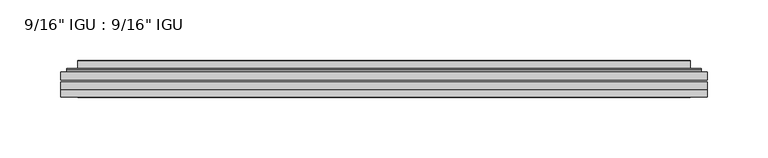
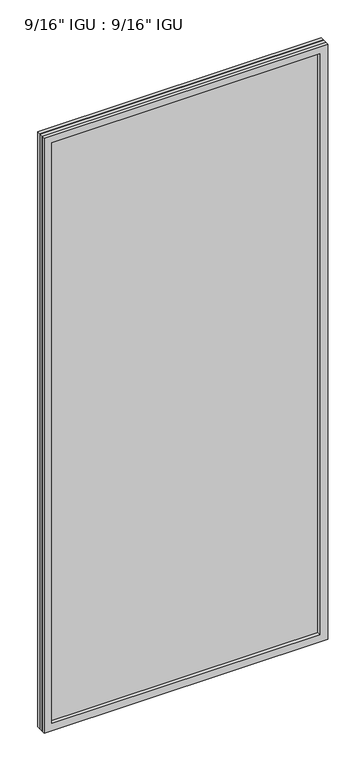
"""IFC4 building model written with IfcOpenShell, lengths in millimetres: plate geometry."""

from ifc_helpers import new_model, si_unit, frame, origin, place, context, project, spatial, polyline, ellipse_curve, outline, extrude, faceted_brep, source, transform, mapped, element, save
from ifc_brep_helpers import plane_surface, cylinder_surface, advanced_brep


def plate_eaf9780f(model_context):
    return source(origin(), model_context, "Body", "SolidModel", [
        extrude(outline(polyline([(266.714175, -54.78145), (266.714175, -61.1317818), (-266.7, -61.1317818), (-266.7, -54.78145), (266.714175, -54.78145)])), frame((0.0, 0.0, -14.2875), z_axis=(0.0, 0.0, 1.0), x_axis=(1.0, 0.0, 0.0)), (0.0, 0.0, 1.0), 1184.2787979),
        extrude(outline(polyline([(-266.7, -69.05625), (-266.7, -62.705745), (266.714175, -62.705745), (266.714175, -69.05625), (-266.7, -69.05625)])), frame((0.0, 0.0, -14.2875), z_axis=(0.0, 0.0, 1.0), x_axis=(1.0, 0.0, 0.0)), (0.0, 0.0, 1.0), 1184.2787979),
        faceted_brep([(-266.7127, -75.40625, 1170.0002), (-266.7127, -69.05625, 1170.0002), (-266.7127, -69.05625, -14.3002), (-266.7127, -75.40625, -14.3002), (266.7127, -69.05625, -14.3002), (266.7127, -75.40625, -14.3002), (266.7127, -69.05625, 1170.0002), (266.7127, -75.40625, 1170.0002), (-251.5147559, -69.05625, 0.8977441), (251.5147559, -69.05625, 0.8977441), (251.5147559, -69.05625, 1154.8022559), (-251.5147559, -69.05625, 1154.8022559), (-252.4071902, -75.40625, 1155.6946902), (252.4071902, -75.40625, 1155.6946902), (252.4071902, -75.40625, 0.0053098), (-252.4071902, -75.40625, 0.0053098)], [[[0, 1, 2, 3]], [[3, 2, 4, 5]], [[5, 4, 6, 7]], [[1, 6, 4, 2], [8, 9, 10, 11]], [[7, 6, 1, 0]], [[3, 5, 7, 0], [12, 13, 14, 15]], [[11, 12, 15, 8]], [[8, 15, 14, 9]], [[9, 14, 13, 10]], [[10, 13, 12, 11]]]),
        advanced_brep(
        [(-259.458719, -54.78145, 1162.746219), (-261.8129244, -52.7917833, 1165.1004244), (-261.8129244, -52.7917833, -9.4004244), (-259.458719, -54.78145, -7.046219), (-250.3843939, -50.941413, 1153.6718939), (-245.4495621, -54.78145, 1148.7370621), (-245.4495621, -54.78145, 6.9629379), (-250.3843939, -50.941413, 2.0281061), (-251.4164217, -45.5441819, 1154.7039217), (-251.4164217, -45.5441819, 0.9960783), (-252.4070784, -45.1452069, 1155.6945784), (-252.4070784, -45.1452069, 0.0054216), (-252.4070784, -51.60645, 1155.6945784), (-252.4070784, -51.60645, 0.0054216), (-260.8111349, -51.60645, 1164.0986349), (-260.8111349, -51.60645, -8.3986349), (261.8129244, -52.7917833, -9.4004244), (259.458719, -54.78145, -7.046219), (245.4495621, -54.78145, 6.9629379), (250.3843939, -50.941413, 2.0281061), (251.4164217, -45.5441819, 0.9960783), (252.4070784, -45.1452069, 0.0054216), (252.4070784, -51.60645, 0.0054216), (260.8111349, -51.60645, -8.3986349), (261.8129244, -52.7917833, 1165.1004244), (259.458719, -54.78145, 1162.746219), (245.4495621, -54.78145, 1148.7370621), (250.3843939, -50.941413, 1153.6718939), (251.4164217, -45.5441819, 1154.7039217), (252.4070784, -45.1452069, 1155.6945784), (252.4070784, -51.60645, 1155.6945784), (260.8111349, -51.60645, 1164.0986349)],
        [
            (0, 1, ellipse_curve(frame((-259.458719, -52.39385, 1162.746219), z_axis=(-0.7071067811865475, 0.0, -0.7071067811865475), x_axis=(-0.7071067811865474, 0.0, 0.7071067811865476)), 3.3765763, 2.3876)),
            (1, 2),
            (2, 3, ellipse_curve(frame((-259.458719, -52.39385, -7.046219), z_axis=(-0.7071067811865475, 0.0, 0.7071067811865475), x_axis=(0.7071067811865474, 0.0, 0.7071067811865476)), 3.3765763, 2.3876)),
            (3, 0),
            (4, 5),
            (5, 6),
            (6, 7),
            (7, 4),
            (8, 4),
            (7, 9),
            (9, 8),
            (10, 8, ellipse_curve(frame((-252.0401219, -45.6634423, 1155.3276219), z_axis=(-0.7071067811865475, 0.0, -0.7071067811865475), x_axis=(-0.7071067811865474, 0.0, 0.7071067811865476)), 0.8980256, 0.635)),
            (9, 11, ellipse_curve(frame((-252.0401219, -45.6634423, 0.3723781), z_axis=(-0.7071067811865475, 0.0, 0.7071067811865475), x_axis=(0.7071067811865474, 0.0, 0.7071067811865476)), 0.8980256, 0.635)),
            (11, 10),
            (12, 10),
            (11, 13),
            (13, 12),
            (1, 14, ellipse_curve(frame((-260.8111349, -52.62245, 1164.0986349), z_axis=(-0.7071067811865475, 0.0, -0.7071067811865475), x_axis=(-0.7071067811865474, 0.0, 0.7071067811865476)), 1.436841, 1.016)),
            (14, 15),
            (15, 2, ellipse_curve(frame((-260.8111349, -52.62245, -8.3986349), z_axis=(-0.7071067811865475, 0.0, 0.7071067811865475), x_axis=(0.7071067811865474, 0.0, 0.7071067811865476)), 1.436841, 1.016)),
            (2, 16),
            (16, 17, ellipse_curve(frame((259.458719, -52.39385, -7.046219), z_axis=(-0.7071067811865475, 0.0, -0.7071067811865475), x_axis=(-0.7071067811865476, 0.0, 0.7071067811865474)), 3.3765763, 2.3876)),
            (17, 3),
            (6, 18),
            (18, 19),
            (19, 7),
            (19, 20),
            (20, 9),
            (20, 21, ellipse_curve(frame((252.0401219, -45.6634423, 0.3723781), z_axis=(-0.7071067811865475, 0.0, -0.7071067811865475), x_axis=(-0.7071067811865476, 0.0, 0.7071067811865474)), 0.8980256, 0.635)),
            (21, 11),
            (21, 22),
            (22, 13),
            (15, 23),
            (23, 16, ellipse_curve(frame((260.8111349, -52.62245, -8.3986349), z_axis=(-0.7071067811865475, 0.0, -0.7071067811865475), x_axis=(-0.7071067811865476, 0.0, 0.7071067811865474)), 1.436841, 1.016)),
            (16, 24),
            (24, 25, ellipse_curve(frame((259.458719, -52.39385, 1162.746219), z_axis=(0.7071067811865475, 0.0, -0.7071067811865475), x_axis=(-0.7071067811865474, 0.0, -0.7071067811865476)), 3.3765763, 2.3876)),
            (25, 17),
            (18, 26),
            (26, 27),
            (27, 19),
            (27, 28),
            (28, 20),
            (28, 29, ellipse_curve(frame((252.0401219, -45.6634423, 1155.3276219), z_axis=(0.7071067811865475, 0.0, -0.7071067811865475), x_axis=(-0.7071067811865474, 0.0, -0.7071067811865476)), 0.8980256, 0.635)),
            (29, 21),
            (29, 30),
            (30, 22),
            (23, 31),
            (31, 24, ellipse_curve(frame((260.8111349, -52.62245, 1164.0986349), z_axis=(0.7071067811865475, 0.0, -0.7071067811865475), x_axis=(-0.7071067811865474, 0.0, -0.7071067811865476)), 1.436841, 1.016)),
            (24, 1),
            (0, 25),
            (5, 26),
            (4, 27),
            (8, 28),
            (10, 29),
            (12, 30),
            (14, 31),
        ],
        [
            cylinder_surface(frame((-259.458719, -52.39385, 1187.45), z_axis=(0.0, 0.0, 1.0), x_axis=(-1.0, 0.0, 0.0)), 2.3876),
            plane_surface(frame((-245.4495621, -54.78145, 1148.7370621), z_axis=(0.6141233906514794, 0.7892100234124821, 0.0), x_axis=(0.0, 0.0, -1.0))),
            plane_surface(frame((-250.3843939, -50.941413, 1153.6718939), z_axis=(0.9822050625507728, 0.18781164793386088, 0.0), x_axis=(0.0, 0.0, -1.0))),
            cylinder_surface(frame((-252.0401219, -45.6634423, 1187.45), z_axis=(0.0, 0.0, 1.0), x_axis=(-1.0, 0.0, 0.0)), 0.635),
            plane_surface(frame((-252.4070784, -45.1452069, 1155.6945784), z_axis=(-1.0, 0.0, 0.0), x_axis=(0.0, 0.0, -1.0))),
            cylinder_surface(frame((-260.8111349, -52.62245, 1187.45), z_axis=(0.0, 0.0, 1.0), x_axis=(-1.0, 0.0, 0.0)), 1.016),
            cylinder_surface(frame((-284.1625, -52.39385, -7.046219), z_axis=(-1.0, 0.0, 0.0), x_axis=(0.0, 0.0, -1.0)), 2.3876),
            plane_surface(frame((-245.4495621, -54.78145, 6.9629379), z_axis=(0.0, 0.7892100234124841, 0.6141233906514768), x_axis=(1.0, 0.0, 0.0))),
            plane_surface(frame((-250.3843939, -50.941413, 2.0281061), z_axis=(0.0, 0.18781164793386404, 0.9822050625507722), x_axis=(1.0, 0.0, 0.0))),
            cylinder_surface(frame((-284.1625, -45.6634423, 0.3723781), z_axis=(-1.0, 0.0, 0.0), x_axis=(0.0, 0.0, -1.0)), 0.635),
            plane_surface(frame((-252.4070784, -45.1452069, 0.0054216), z_axis=(0.0, 0.0, -1.0), x_axis=(1.0, 0.0, 0.0))),
            cylinder_surface(frame((-284.1625, -52.62245, -8.3986349), z_axis=(-1.0, 0.0, 0.0), x_axis=(0.0, 0.0, -1.0)), 1.016),
            cylinder_surface(frame((259.458719, -52.39385, -31.75), z_axis=(0.0, 0.0, -1.0), x_axis=(1.0, 0.0, 0.0)), 2.3876),
            plane_surface(frame((245.4495621, -54.78145, 6.9629379), z_axis=(-0.6141233906514743, 0.7892100234124861, 0.0), x_axis=(0.0, 0.0, 1.0))),
            plane_surface(frame((250.3843939, -50.941413, 2.0281061), z_axis=(-0.9822050625507717, 0.1878116479338672, 0.0), x_axis=(0.0, 0.0, 1.0))),
            cylinder_surface(frame((252.0401219, -45.6634423, -31.75), z_axis=(0.0, 0.0, -1.0), x_axis=(1.0, 0.0, 0.0)), 0.635),
            plane_surface(frame((252.4070784, -45.1452069, 0.0054216), z_axis=(1.0, 0.0, 0.0), x_axis=(0.0, 0.0, 1.0))),
            cylinder_surface(frame((260.8111349, -52.62245, -31.75), z_axis=(0.0, 0.0, -1.0), x_axis=(1.0, 0.0, 0.0)), 1.016),
            cylinder_surface(frame((284.1625, -52.39385, 1162.746219), z_axis=(1.0, 0.0, 0.0), x_axis=(0.0, 0.0, 1.0)), 2.3876),
            plane_surface(frame((259.458719, -54.78145, 1162.746219), z_axis=(0.0, -1.0, 0.0), x_axis=(-1.0, 0.0, 0.0))),
            plane_surface(frame((245.4495621, -54.78145, 1148.7370621), z_axis=(0.0, 0.7892100234124841, -0.6141233906514768), x_axis=(-1.0, 0.0, 0.0))),
            plane_surface(frame((250.3843939, -50.941413, 1153.6718939), z_axis=(0.0, 0.18781164793386404, -0.9822050625507722), x_axis=(-1.0, 0.0, 0.0))),
            cylinder_surface(frame((284.1625, -45.6634423, 1155.3276219), z_axis=(1.0, 0.0, 0.0), x_axis=(0.0, 0.0, 1.0)), 0.635),
            plane_surface(frame((252.4070784, -45.1452069, 1155.6945784), z_axis=(0.0, 0.0, 1.0), x_axis=(-1.0, 0.0, 0.0))),
            plane_surface(frame((252.4070784, -51.60645, 1155.6945784), z_axis=(0.0, 1.0, 0.0), x_axis=(-1.0, 0.0, 0.0))),
            cylinder_surface(frame((284.1625, -52.62245, 1164.0986349), z_axis=(1.0, 0.0, 0.0), x_axis=(0.0, 0.0, 1.0)), 1.016),
        ],
        [
            (0, [[1, 2, 3, 4]]),
            (1, [[5, 6, 7, 8]]),
            (2, [[9, -8, 10, 11]]),
            (3, [[12, -11, 13, 14]]),
            (4, [[15, -14, 16, 17]]),
            (5, [[18, 19, 20, -2]]),
            (6, [[-3, 21, 22, 23]]),
            (7, [[-7, 24, 25, 26]]),
            (8, [[-10, -26, 27, 28]]),
            (9, [[-13, -28, 29, 30]]),
            (10, [[-16, -30, 31, 32]]),
            (11, [[-20, 33, 34, -21]]),
            (12, [[-22, 35, 36, 37]]),
            (13, [[-25, 38, 39, 40]]),
            (14, [[-27, -40, 41, 42]]),
            (15, [[-29, -42, 43, 44]]),
            (16, [[-31, -44, 45, 46]]),
            (17, [[-34, 47, 48, -35]]),
            (18, [[-36, 49, -1, 50]]),
            (19, [[-23, -37, -50, -4], [51, -38, -24, -6]]),
            (20, [[-39, -51, -5, 52]]),
            (21, [[-41, -52, -9, 53]]),
            (22, [[-43, -53, -12, 54]]),
            (23, [[-45, -54, -15, 55]]),
            (24, [[56, -47, -33, -19], [-32, -46, -55, -17]]),
            (25, [[-48, -56, -18, -49]]),
        ],
    ),
    ])


if __name__ == "__main__":
    model = new_model("IFC4")
    model_context = context("Model", 3, world=origin())
    ifc_project = project(units=[si_unit("LENGTHUNIT", "METRE", prefix="MILLI")], contexts=[model_context])
    site = spatial("IfcSite", under=ifc_project)
    building = spatial("IfcBuilding", under=site)
    placement = place(None, origin())
    plate_shape = plate_eaf9780f(model_context)
    element("IfcPlate", 1, ObjectType="9/16\" IGU : 9/16\" IGU", at=placement, inside=building, context=model_context, shape_type="MappedRepresentation", body=[
        mapped(plate_shape, transform((0.0, 0.0, 0.0), x_axis=(1.0, 0.0, 0.0), y_axis=(0.0, 1.0, 0.0), z_axis=(0.0, 0.0, 1.0))),
    ])
    save(model, "model.ifc")
